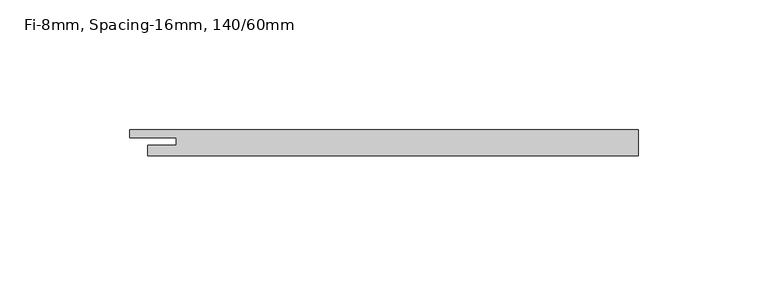
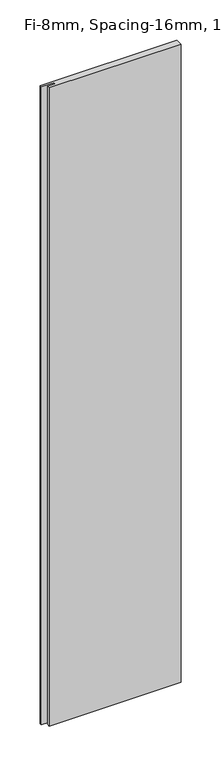
"""IFC4 building model written with IfcOpenShell, lengths in millimetres: plate geometry, Fi-8mm, Spacing-16mm, 140/60mm."""

from ifc_helpers import new_model, si_unit, origin, origin_with_axes, place, context, project, spatial, polyline, outline, extrude, source, transform, mapped, element, save


def fi_8mm_spacing_16mm_140_60mm_823a1f25(model_context):
    return source(origin(), model_context, "Body", "SweptSolid", [
        extrude(outline(polyline([(94.5, -5.0), (-94.5, -5.0), (-94.5, -1.0), (-83.5, -1.0), (-83.5, 2.0), (-101.5, 2.0), (-101.5, 5.0), (94.5, 5.0), (94.5, -5.0)])), origin_with_axes(), (0.0, 0.0, 1.0), 966.8),
    ])


if __name__ == "__main__":
    model = new_model("IFC4")
    model_context = context("Model", 3, world=origin())
    ifc_project = project(units=[si_unit("LENGTHUNIT", "METRE", prefix="MILLI")], contexts=[model_context])
    site = spatial("IfcSite", under=ifc_project)
    building = spatial("IfcBuilding", under=site)
    placement = place(None, origin())
    fi_8mm_spacing_16mm_140_60mm_shape = fi_8mm_spacing_16mm_140_60mm_823a1f25(model_context)
    element("IfcPlate", 1, ObjectType="Fi-8mm, Spacing-16mm, 140/60mm", at=placement, inside=building, context=model_context, shape_type="MappedRepresentation", body=[
        mapped(fi_8mm_spacing_16mm_140_60mm_shape, transform((0.0, 0.0, 0.0), x_axis=(1.0, 0.0, 0.0), y_axis=(0.0, 1.0, 0.0), z_axis=(0.0, 0.0, 1.0))),
    ])
    save(model, "model.ifc")
